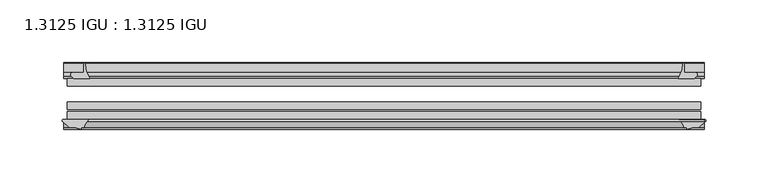
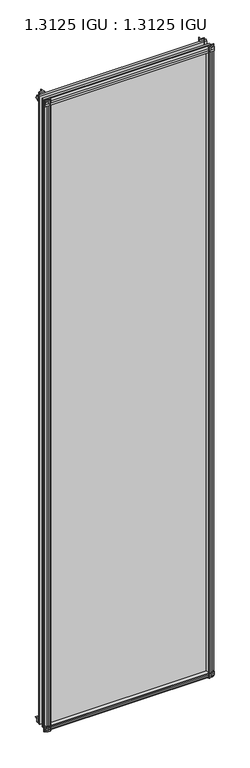
"""IFC4 building model written with IfcOpenShell, lengths in millimetres: plate geometry, 1.3125 IGU : 1.3125 IGU."""

from ifc_helpers import new_model, si_unit, point, frame, frame_2d, origin, place, context, project, spatial, polyline, circle_curve, trimmed, segment, composite_curve, outline, extrude, source, transform, mapped, element, save


def plate_1_3125_igu_1_3125_igu_eb9eadf4(model_context):
    return source(origin(), model_context, "Body", "SweptSolid", [
        extrude(outline(composite_curve([segment(polyline([(-22.094825, 0.0), (-22.094825, -9.916835)]), True, "CONTINUOUS"), segment(trimmed(circle_curve(frame_2d((-23.669625, -9.916835)), 1.5748), [point((-22.094825, -9.916835))], [point((-24.8706146, -10.9354709))], False, "CARTESIAN"), True, "CONTINUOUS"), segment(polyline([(-24.8706146, -10.9354709), (-26.590625, -8.9075484), (-26.590625, 4.0446407)]), True, "CONTINUOUS"), segment(trimmed(circle_curve(frame_2d((-7.1839113, 38.4138813)), 39.4698015), [point((-26.590625, 4.0446407))], [point((-19.4504626, 0.8985917))], True, "CARTESIAN"), True, "CONTINUOUS"), segment(polyline([(-19.4504626, 0.8985917), (-13.3986538, 0.0), (-22.094825, 0.0)]), True, "CONTINUOUS")], self_intersect=False)), frame((-257.8393096, 0.0, 0.0), z_axis=(1.0, 0.0, 0.0), x_axis=(0.0, 1.0, 0.0)), (0.0, 0.0, 1.0), 515.6786192),
        extrude(outline(composite_curve([segment(trimmed(circle_curve(frame_2d((-67.8737919, 9.6311377)), 10.5748618), [point((-66.062225, -0.7874))], [point((-59.712225, 2.9068141))], True, "CARTESIAN"), True, "CONTINUOUS"), segment(polyline([(-59.712225, 2.9068141), (-59.712225, -18.0442511)]), True, "CONTINUOUS"), segment(trimmed(circle_curve(frame_2d((-60.728225, -18.0442511)), 1.016), [point((-59.712225, -18.0442511))], [point((-61.4950672, -18.7107412))], False, "CARTESIAN"), True, "CONTINUOUS"), segment(polyline([(-61.4950672, -18.7107412), (-66.062225, -13.4559149), (-66.062225, -7.4520336), (-67.637025, -1.5748), (-66.062225, -1.5748), (-66.062225, -0.7874)]), True, "CONTINUOUS")], self_intersect=False)), frame((-257.8393096, 0.0, 0.0), z_axis=(1.0, 0.0, 0.0), x_axis=(0.0, 1.0, 0.0)), (0.0, 0.0, 1.0), 515.6786192),
        extrude(outline(composite_curve([segment(polyline([(-66.062225, 2013.6598774), (-61.4950672, 2018.9147037)]), True, "CONTINUOUS"), segment(trimmed(circle_curve(frame_2d((-60.728225, 2018.2482136)), 1.016), [point((-61.4950672, 2018.9147037))], [point((-59.712225, 2018.2482136))], False, "CARTESIAN"), True, "CONTINUOUS"), segment(polyline([(-59.712225, 2018.2482136), (-59.712225, 1997.7230921)]), True, "CONTINUOUS"), segment(trimmed(circle_curve(frame_2d((-66.4211348, 1992.0932283)), 8.7581298), [point((-59.712225, 1997.7230921))], [point((-66.062225, 2000.8440009))], True, "CARTESIAN"), True, "CONTINUOUS"), segment(polyline([(-66.062225, 2000.8440009), (-66.062225, 2001.7787625), (-67.637025, 2001.7787625), (-66.062225, 2007.6559961), (-66.062225, 2013.6598774)]), True, "CONTINUOUS")], self_intersect=False)), frame((-257.8393096, 0.0, 0.0), z_axis=(1.0, 0.0, 0.0), x_axis=(0.0, 1.0, 0.0)), (0.0, 0.0, 1.0), 515.6786192),
        extrude(outline(composite_curve([segment(polyline([(-26.590625, 1996.1593218), (-26.590625, 2009.1115109), (-24.8706146, 2011.1394334)]), True, "CONTINUOUS"), segment(trimmed(circle_curve(frame_2d((-23.669625, 2010.1207975)), 1.5748), [point((-24.8706146, 2011.1394334))], [point((-22.094825, 2010.1207975))], False, "CARTESIAN"), True, "CONTINUOUS"), segment(polyline([(-22.094825, 2010.1207975), (-22.094825, 2000.25), (-14.5883882, 2000.25), (-18.3240316, 1999.4633459)]), True, "CONTINUOUS"), segment(trimmed(circle_curve(frame_2d((-16.4585419, 1986.834903)), 12.7654855), [point((-18.3240316, 1999.4633459))], [point((-20.5939581, 1998.9119869))], True, "CARTESIAN"), True, "CONTINUOUS"), segment(trimmed(circle_curve(frame_2d((-7.1839113, 1961.7900812)), 39.4698015), [point((-20.5939581, 1998.9119869))], [point((-26.590625, 1996.1593218))], True, "CARTESIAN"), True, "CONTINUOUS")], self_intersect=False)), frame((-257.8393096, 0.0, 0.0), z_axis=(1.0, 0.0, 0.0), x_axis=(0.0, 1.0, 0.0)), (0.0, 0.0, 1.0), 515.6786192),
        extrude(outline(composite_curve([segment(polyline([(249.6783818, -26.590625), (236.7261926, -26.590625)]), True, "CONTINUOUS"), segment(trimmed(circle_curve(frame_2d((202.3569521, -7.1839113)), 39.4698015), [point((236.7261926, -26.590625))], [point((239.8722416, -19.4504626))], True, "CARTESIAN"), True, "CONTINUOUS"), segment(polyline([(239.8722416, -19.4504626), (240.5181167, -15.1006424)]), True, "CONTINUOUS"), segment(trimmed(circle_curve(frame_2d((241.2976021, -15.2120036)), 0.7874), [point((240.5181167, -15.1006424))], [point((241.5645833, -14.4712474))], False, "CARTESIAN"), True, "CONTINUOUS"), segment(polyline([(241.5645833, -14.4712474), (241.5645833, -22.094825), (250.6876683, -22.094825)]), True, "CONTINUOUS"), segment(trimmed(circle_curve(frame_2d((250.6876683, -23.669625)), 1.5748), [point((250.6876683, -22.094825))], [point((251.7063042, -24.8706146))], False, "CARTESIAN"), True, "CONTINUOUS"), segment(polyline([(251.7063042, -24.8706146), (249.6783818, -26.590625)]), True, "CONTINUOUS")], self_intersect=False)), frame((0.0, 0.0, -18.2728511), z_axis=(0.0, 0.0, 1.0), x_axis=(1.0, 0.0, 0.0)), (0.0, 0.0, 1.0), 2037.8352548),
        extrude(outline(composite_curve([segment(polyline([(237.4198081, -59.712225), (257.9802349, -59.712225)]), True, "CONTINUOUS"), segment(trimmed(circle_curve(frame_2d((257.9802349, -60.728225)), 1.016), [point((257.9802349, -59.712225))], [point((258.6467249, -61.4950672))], False, "CARTESIAN"), True, "CONTINUOUS"), segment(polyline([(258.6467249, -61.4950672), (253.3918987, -66.062225), (249.4166669, -66.062225), (243.5394333, -67.637025), (243.5394333, -66.062225), (242.4490777, -66.062225)]), True, "CONTINUOUS"), segment(trimmed(circle_curve(frame_2d((242.4490777, -66.849625)), 0.7874), [point((242.4490777, -66.062225))], [point((241.6713719, -66.7264485))], True, "CARTESIAN"), True, "CONTINUOUS"), segment(trimmed(circle_curve(frame_2d((228.6060553, -69.8501675)), 13.4335445), [point((241.6713719, -66.7264485))], [point((237.4198081, -59.712225))], True, "CARTESIAN"), True, "CONTINUOUS")], self_intersect=False)), frame((0.0, 0.0, -18.2728511), z_axis=(0.0, 0.0, 1.0), x_axis=(1.0, 0.0, 0.0)), (0.0, 0.0, 1.0), 2037.8352548),
        extrude(outline(composite_curve([segment(polyline([(-240.5181167, -15.1006424), (-240.0437017, -18.2957187)]), True, "CONTINUOUS"), segment(trimmed(circle_curve(frame_2d((-227.4814285, -16.4304327)), 12.7), [point((-240.0437017, -18.2957187))], [point((-239.4949569, -20.5493081))], True, "CARTESIAN"), True, "CONTINUOUS"), segment(trimmed(circle_curve(frame_2d((-202.3569521, -7.1839113)), 39.4698015), [point((-239.4949569, -20.5493081))], [point((-236.7261926, -26.590625))], True, "CARTESIAN"), True, "CONTINUOUS"), segment(polyline([(-236.7261926, -26.590625), (-249.6783818, -26.590625), (-251.7063042, -24.8706146)]), True, "CONTINUOUS"), segment(trimmed(circle_curve(frame_2d((-250.6876683, -23.669625)), 1.5748), [point((-251.7063042, -24.8706146))], [point((-250.6876683, -22.094825))], False, "CARTESIAN"), True, "CONTINUOUS"), segment(polyline([(-250.6876683, -22.094825), (-241.5328333, -22.094825), (-241.5328333, -14.4605617)]), True, "CONTINUOUS"), segment(trimmed(circle_curve(frame_2d((-241.2976021, -15.2120036)), 0.7874), [point((-241.5328333, -14.4605617))], [point((-240.5181167, -15.1006424))], False, "CARTESIAN"), True, "CONTINUOUS")], self_intersect=False)), frame((0.0, 0.0, -18.2728511), z_axis=(0.0, 0.0, 1.0), x_axis=(1.0, 0.0, 0.0)), (0.0, 0.0, 1.0), 2038.1847648),
        extrude(outline(composite_curve([segment(trimmed(circle_curve(frame_2d((-228.6060553, -69.8501675)), 13.4335445), [point((-237.4198081, -59.712225))], [point((-241.6713719, -66.7264485))], True, "CARTESIAN"), True, "CONTINUOUS"), segment(trimmed(circle_curve(frame_2d((-242.4490777, -66.849625)), 0.7874), [point((-241.6713719, -66.7264485))], [point((-242.4490777, -66.062225))], True, "CARTESIAN"), True, "CONTINUOUS"), segment(polyline([(-242.4490777, -66.062225), (-243.5394333, -66.062225), (-243.5394333, -67.637025), (-249.4166669, -66.062225), (-253.3918987, -66.062225), (-258.6467249, -61.4950672)]), True, "CONTINUOUS"), segment(trimmed(circle_curve(frame_2d((-257.9802349, -60.728225)), 1.016), [point((-258.6467249, -61.4950672))], [point((-257.9802349, -59.712225))], False, "CARTESIAN"), True, "CONTINUOUS"), segment(polyline([(-257.9802349, -59.712225), (-237.4198081, -59.712225)]), True, "CONTINUOUS")], self_intersect=False)), frame((0.0, 0.0, -18.2728511), z_axis=(0.0, 0.0, 1.0), x_axis=(1.0, 0.0, 0.0)), (0.0, 0.0, 1.0), 2038.1847648),
        extrude(outline(polyline([(-255.0583333, -26.590625), (255.0583333, -26.590625), (255.0583333, -32.889825), (-255.0583333, -32.889825), (-255.0583333, -26.590625)])), frame((0.0, 0.0, -12.8524), z_axis=(0.0, 0.0, 1.0), x_axis=(1.0, 0.0, 0.0)), (0.0, 0.0, 1.0), 2027.3438625),
        extrude(outline(polyline([(255.0583333, -45.589825), (255.0583333, -51.889025), (-255.0583333, -51.889025), (-255.0583333, -45.589825), (255.0583333, -45.589825)])), frame((0.0, 0.0, -12.8524), z_axis=(0.0, 0.0, 1.0), x_axis=(1.0, 0.0, 0.0)), (0.0, 0.0, 1.0), 2027.3438625),
        extrude(outline(polyline([(255.0583333, -53.413025), (255.0583333, -59.712225), (-255.0583333, -59.712225), (-255.0583333, -53.413025), (255.0583333, -53.413025)])), frame((0.0, 0.0, -12.8524), z_axis=(0.0, 0.0, 1.0), x_axis=(1.0, 0.0, 0.0)), (0.0, 0.0, 1.0), 2027.3438625),
    ])


if __name__ == "__main__":
    model = new_model("IFC4")
    model_context = context("Model", 3, world=origin())
    ifc_project = project(units=[si_unit("LENGTHUNIT", "METRE", prefix="MILLI")], contexts=[model_context])
    site = spatial("IfcSite", under=ifc_project)
    building = spatial("IfcBuilding", under=site)
    placement = place(None, origin())
    plate_1_3125_igu_1_3125_igu_shape = plate_1_3125_igu_1_3125_igu_eb9eadf4(model_context)
    element("IfcPlate", 1, ObjectType="1.3125 IGU : 1.3125 IGU", at=placement, inside=building, context=model_context, shape_type="MappedRepresentation", body=[
        mapped(plate_1_3125_igu_1_3125_igu_shape, transform((0.0, 0.0, 0.0), x_axis=(1.0, 0.0, 0.0), y_axis=(0.0, 1.0, 0.0), z_axis=(0.0, 0.0, 1.0))),
    ])
    save(model, "model.ifc")
